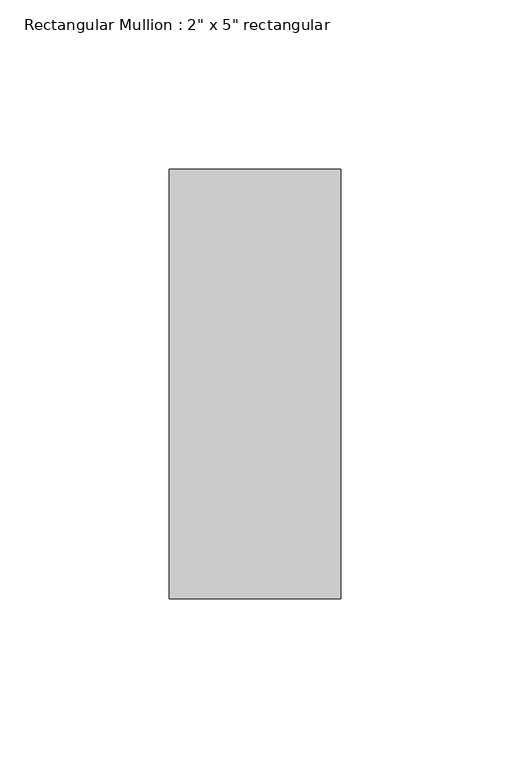
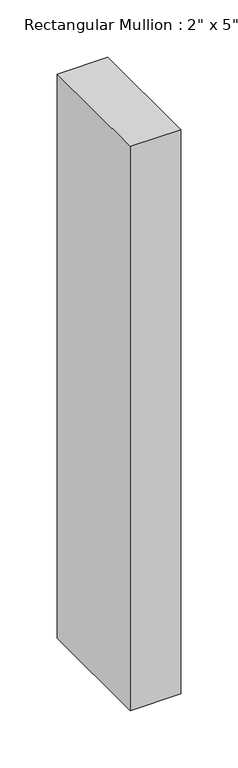
"""IFC4 building model written with IfcOpenShell, lengths in millimetres: member geometry."""

from ifc_helpers import new_model, si_unit, frame, origin, place, context, project, spatial, polyline, outline, extrude, source, transform, mapped, element, save


def member_51fcfe7f(model_context):
    return source(origin(), model_context, "Body", "SweptSolid", [
        extrude(outline(polyline([(25.4, 63.5), (25.4, -63.5), (-25.4, -63.5), (-25.4, 63.5), (25.4, 63.5)])), frame((0.0, 0.0, -601.1333333), z_axis=(0.0, 0.0, 1.0), x_axis=(1.0, 0.0, 0.0)), (0.0, 0.0, 1.0), 601.1333333),
    ])


if __name__ == "__main__":
    model = new_model("IFC4")
    model_context = context("Model", 3, world=origin())
    ifc_project = project(units=[si_unit("LENGTHUNIT", "METRE", prefix="MILLI")], contexts=[model_context])
    site = spatial("IfcSite", under=ifc_project)
    building = spatial("IfcBuilding", under=site)
    placement = place(None, origin())
    member_shape = member_51fcfe7f(model_context)
    element("IfcMember", 1, ObjectType="Rectangular Mullion : 2\" x 5\" rectangular", at=placement, inside=building, context=model_context, shape_type="MappedRepresentation", body=[
        mapped(member_shape, transform((0.0, 0.0, 0.0), x_axis=(1.0, 0.0, 0.0), y_axis=(0.0, 1.0, 0.0), z_axis=(0.0, 0.0, 1.0))),
    ])
    save(model, "model.ifc")
